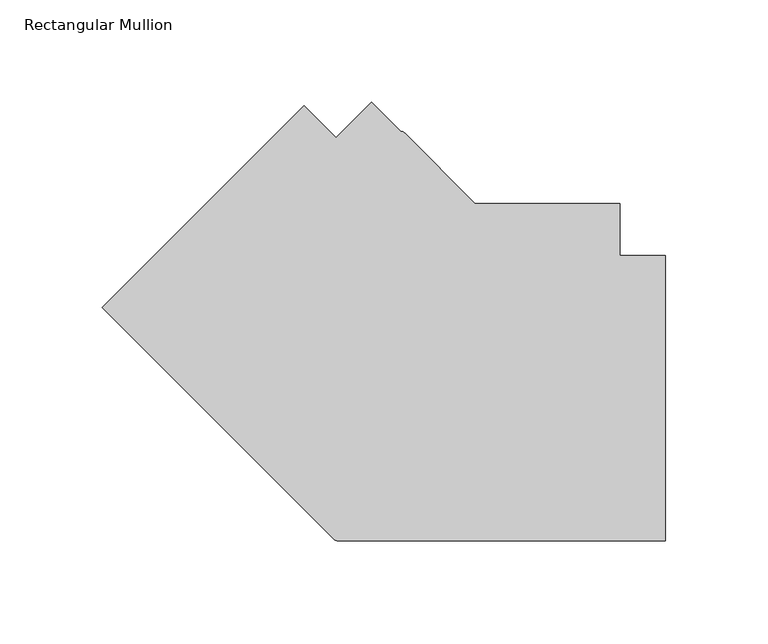
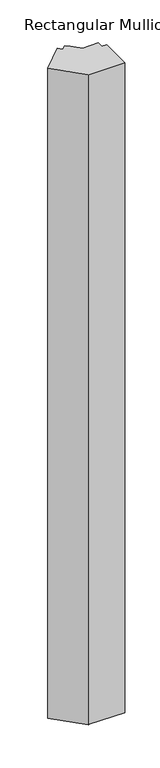
"""IFC4 building model written with IfcOpenShell, lengths in millimetres: member geometry, Rectangular Mullion."""

from ifc_helpers import new_model, si_unit, point, frame, frame_2d, origin, place, context, project, spatial, polyline, circle_curve, trimmed, segment, composite_curve, outline, extrude, source, transform, mapped, element, save


def rectangular_mullion_d2457112(model_context):
    return source(origin(), model_context, "Body", "SweptSolid", [
        extrude(outline(composite_curve([segment(trimmed(circle_curve(frame_2d((-160.1425556, -77.7752129)), 3.175), [point((-160.1425556, -80.9502129))], [point((-162.3876196, -80.020277))], False, "CARTESIAN"), True, "CONTINUOUS"), segment(polyline([(-162.3876196, -80.020277), (-275.6255066, 33.21761), (-176.8426853, 132.0004313), (-161.1273172, 116.2850632), (-143.6971255, 133.7152548), (-129.5693263, 119.4573606)]), True, "CONTINUOUS"), segment(trimmed(circle_curve(frame_2d((-129.6962646, 116.2848991)), 3.175), [point((-129.5693263, 119.4573606))], [point((-127.4512006, 118.5299631))], False, "CARTESIAN"), True, "CONTINUOUS"), segment(polyline([(-127.4512006, 118.5299631), (-93.0710245, 84.1497871), (-22.2248868, 84.1497871), (-22.2248868, 58.7497927), (0.0, 58.7497927), (0.0, -80.9502129), (-160.1425556, -80.9502129)]), True, "CONTINUOUS")], self_intersect=False)), frame((0.0, 0.0, -3048.0), z_axis=(0.0, 0.0, 1.0), x_axis=(1.0, 0.0, 0.0)), (0.0, 0.0, 1.0), 3048.0),
    ])


if __name__ == "__main__":
    model = new_model("IFC4")
    model_context = context("Model", 3, world=origin())
    ifc_project = project(units=[si_unit("LENGTHUNIT", "METRE", prefix="MILLI")], contexts=[model_context])
    site = spatial("IfcSite", under=ifc_project)
    building = spatial("IfcBuilding", under=site)
    placement = place(None, origin())
    rectangular_mullion_shape = rectangular_mullion_d2457112(model_context)
    element("IfcMember", 1, ObjectType="Rectangular Mullion", at=placement, inside=building, context=model_context, shape_type="MappedRepresentation", body=[
        mapped(rectangular_mullion_shape, transform((0.0, 0.0, 0.0), x_axis=(1.0, 0.0, 0.0), y_axis=(0.0, 1.0, 0.0), z_axis=(0.0, 0.0, 1.0))),
    ])
    save(model, "model.ifc")
